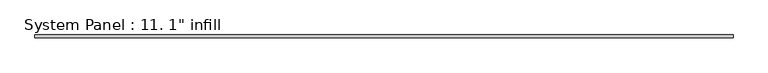
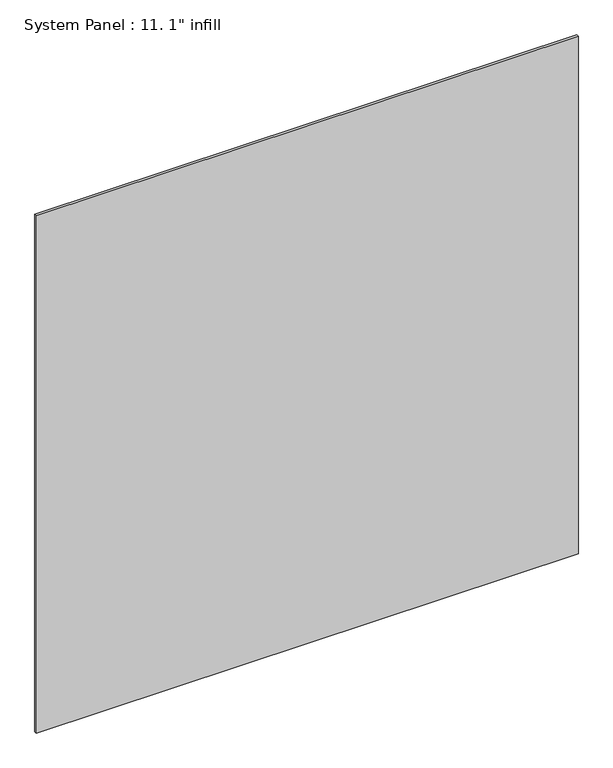
"""IFC4 building model written with IfcOpenShell, lengths in millimetres: plate geometry."""

from ifc_helpers import new_model, si_unit, origin, origin_with_axes, place, context, project, spatial, polyline, outline, extrude, source, transform, mapped, element, save


def plate_8254e88a(model_context):
    return source(origin(), model_context, "Body", "SweptSolid", [
        extrude(outline(polyline([(2987.7972897, -12.7), (-2987.7972897, -12.7), (-2987.7972897, 12.7), (2987.7972897, 12.7), (2987.7972897, -12.7)])), origin_with_axes(), (0.0, 0.0, 1.0), 6026.591383),
    ])


if __name__ == "__main__":
    model = new_model("IFC4")
    model_context = context("Model", 3, world=origin())
    ifc_project = project(units=[si_unit("LENGTHUNIT", "METRE", prefix="MILLI")], contexts=[model_context])
    site = spatial("IfcSite", under=ifc_project)
    building = spatial("IfcBuilding", under=site)
    placement = place(None, origin())
    plate_shape = plate_8254e88a(model_context)
    element("IfcPlate", 1, ObjectType="System Panel : 11. 1\" infill", at=placement, inside=building, context=model_context, shape_type="MappedRepresentation", body=[
        mapped(plate_shape, transform((0.0, 0.0, 0.0), x_axis=(1.0, 0.0, 0.0), y_axis=(0.0, 1.0, 0.0), z_axis=(0.0, 0.0, 1.0))),
    ])
    save(model, "model.ifc")
